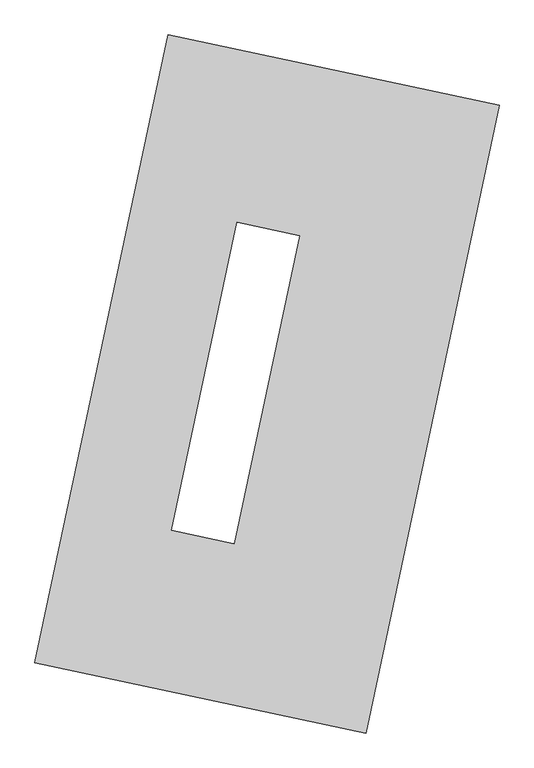
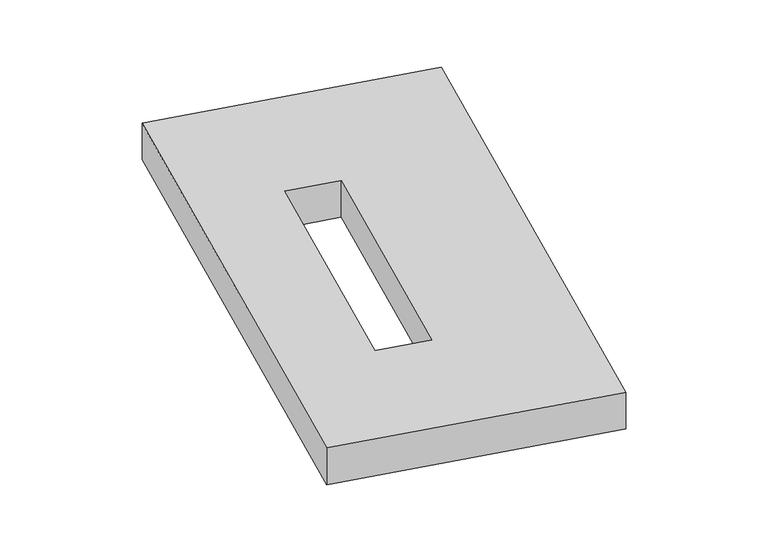
"""IFC4 building model written with IfcOpenShell, lengths in millimetres: proxy geometry."""

from ifc_helpers import new_model, si_unit, origin, origin_with_axes, place, context, project, spatial, polyline, outline, extrude, source, transform, mapped, element, save


def generic_models_6567a9df(model_context):
    return source(origin(), model_context, "Body", "SweptSolid", [
        extrude(outline(polyline([(-617.3692021, 2175.5580432), (1447.7508745, 1737.3010494), (617.3692021, -2175.5580432), (-1447.7508745, -1737.3010494), (-617.3692021, 2175.5580432)]), holes=[polyline([(202.060817, 924.390334), (-188.2731834, 1007.2264884), (-595.5468138, -911.8962244), (-205.2128134, -994.7323788), (202.060817, 924.390334)])]), origin_with_axes(), (0.0, 0.0, 1.0), 300.0),
    ])


if __name__ == "__main__":
    model = new_model("IFC4")
    model_context = context("Model", 3, world=origin())
    ifc_project = project(units=[si_unit("LENGTHUNIT", "METRE", prefix="MILLI")], contexts=[model_context])
    site = spatial("IfcSite", under=ifc_project)
    building = spatial("IfcBuilding", under=site)
    placement = place(None, origin())
    generic_models_shape = generic_models_6567a9df(model_context)
    element("IfcBuildingElementProxy", 1, Name="Generic Models", at=placement, inside=building, context=model_context, shape_type="MappedRepresentation", body=[
        mapped(generic_models_shape, transform((0.0, 0.0, 0.0), x_axis=(1.0, 0.0, 0.0), y_axis=(0.0, 1.0, 0.0), z_axis=(0.0, 0.0, 1.0))),
    ])
    save(model, "model.ifc")
